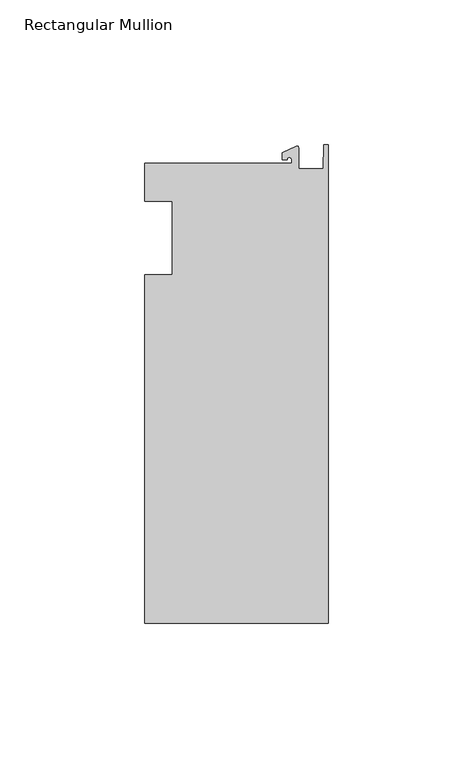
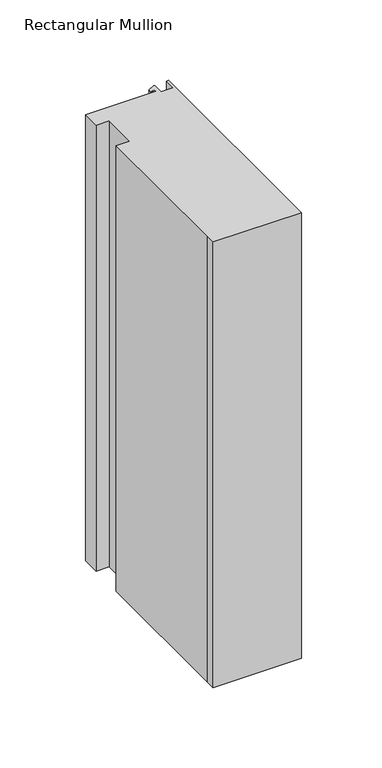
"""IFC4 building model written with IfcOpenShell, lengths in millimetres: member geometry, Rectangular Mullion."""

import ifcopenshell
import ifcopenshell.guid

model = None  # the IFC model being written
_history = None  # IfcOwnerHistory: only IFC2X3 demands one
_inside = {}  # id of a spatial element -> (the spatial element, [elements in it])
_under = {}  # id of a project, library or spatial element -> (it, [spatial elements below it])
_declared = {}  # id of a project -> (the project, [libraries it declares])
_typed = {}  # id of a type object -> (the type object, [elements of that type])
_made_of = {}  # id of a material, layer set ... -> (it, [elements and type objects made of it])


def new_model(schema):
    """Start an empty IFC model of exactly this schema.

    Asked for "IFC4X3", IfcOpenShell would pick the latest addendum, in which some entities
    have other attributes; the version numbers below select the first issue.
    IFC2X3 requires an IfcOwnerHistory on every rooted entity: one is made here for all.
    """
    global model, _history
    if schema == "IFC4X3":
        model = ifcopenshell.file(schema_version=(4, 3, 0, 0))
    else:
        model = ifcopenshell.file(schema=schema)
    _inside.clear()
    _under.clear()
    _declared.clear()
    _typed.clear()
    _made_of.clear()
    _history = None
    if model.schema == "IFC2X3":
        org = make("IfcOrganization", Name="unknown")
        user = make(
            "IfcPersonAndOrganization",
            ThePerson=make("IfcPerson", FamilyName="unknown"),
            TheOrganization=org,
        )
        app = make(
            "IfcApplication",
            ApplicationDeveloper=org,
            Version="unknown",
            ApplicationFullName="unknown",
            ApplicationIdentifier="unknown",
        )
        _history = make(
            "IfcOwnerHistory",
            OwningUser=user,
            OwningApplication=app,
            ChangeAction="ADDED",
            CreationDate=0,
        )
    return model


def make(cls, **values):
    """One entity of the class cls with the attributes given. An attribute that is None is left unset."""
    return model.create_entity(
        cls, **{name: value for name, value in values.items() if value is not None}
    )


def rooted(cls, **values):
    """An entity with a GlobalId (a new one), such as an element, a storey or a relation."""
    return make(cls, GlobalId=ifcopenshell.guid.new(), OwnerHistory=_history, **values)


def si_unit(unit_type, name, prefix=None):
    """IfcSIUnit, for example si_unit("LENGTHUNIT", "METRE", prefix="MILLI")."""
    return make("IfcSIUnit", UnitType=unit_type, Prefix=prefix, Name=name)


def assignment(units):
    """IfcUnitAssignment: the units of a project."""
    return None if units is None else make("IfcUnitAssignment", Units=units)


def point(xyz):
    """IfcCartesianPoint."""
    return None if xyz is None else make("IfcCartesianPoint", Coordinates=xyz)


def direction(xyz):
    """IfcDirection."""
    return None if xyz is None else make("IfcDirection", DirectionRatios=xyz)


def frame(location, z_axis=None, x_axis=None):
    """IfcAxis2Placement3D, a coordinate frame: its origin and axes. An axis left out is left unset."""
    return make(
        "IfcAxis2Placement3D",
        Location=point(location),
        Axis=direction(z_axis),
        RefDirection=direction(x_axis),
    )


def frame_2d(location, x_axis=None):
    """IfcAxis2Placement2D, a coordinate frame in the plane: its origin and x axis."""
    return make(
        "IfcAxis2Placement2D", Location=point(location), RefDirection=direction(x_axis)
    )


def origin():
    """The frame at (0, 0, 0) with its axes left unset."""
    return frame((0.0, 0.0, 0.0))


def place(relative_to, where):
    """IfcLocalPlacement: puts the frame where relative to a parent placement (None: the world)."""
    return make(
        "IfcLocalPlacement", PlacementRelTo=relative_to, RelativePlacement=where
    )


def context(
    kind, dimensions, precision=None, world=None, true_north=None, identifier=None
):
    """IfcGeometricRepresentationContext, for example the 3D "Model" context."""
    return make(
        "IfcGeometricRepresentationContext",
        ContextIdentifier=identifier,
        ContextType=kind,
        CoordinateSpaceDimension=dimensions,
        Precision=precision,
        WorldCoordinateSystem=world,
        TrueNorth=true_north,
    )


def project(units=None, contexts=None):
    """IfcProject with its units and contexts."""
    return rooted(
        "IfcProject",
        Name="project",
        RepresentationContexts=contexts,
        UnitsInContext=assignment(units),
    )


def spatial(cls, under=None, at=None, **own):
    """A site, building, storey or space (cls), placed at a placement, below another one or the project."""
    s = rooted(cls, ObjectPlacement=at, **own)
    if under is not None:
        _under.setdefault(under.id(), (under, []))[1].append(s)
    return s


def polyline(points):
    """IfcPolyline through the points."""
    return make("IfcPolyline", Points=[point(p) for p in points])


def circle_curve(where, radius):
    """IfcCircle in the frame where."""
    return make("IfcCircle", Position=where, Radius=radius)


def trimmed(basis, trim1, trim2, sense, master):
    """IfcTrimmedCurve: the piece of a basis curve between two trims."""
    return make(
        "IfcTrimmedCurve",
        BasisCurve=basis,
        Trim1=trim1,
        Trim2=trim2,
        SenseAgreement=sense,
        MasterRepresentation=master,
    )


def segment(curve, same_sense, transition):
    """IfcCompositeCurveSegment."""
    return make(
        "IfcCompositeCurveSegment",
        Transition=transition,
        SameSense=same_sense,
        ParentCurve=curve,
    )


def composite_curve(segments, self_intersect=None):
    """IfcCompositeCurve: segments joined end to end."""
    return make("IfcCompositeCurve", Segments=segments, SelfIntersect=self_intersect)


def outline(outer, holes=None, kind="AREA"):
    """IfcArbitraryClosedProfileDef: a profile drawn as a closed curve; with holes, ...WithVoids."""
    if holes is None:
        return make("IfcArbitraryClosedProfileDef", ProfileType=kind, OuterCurve=outer)
    return make(
        "IfcArbitraryProfileDefWithVoids",
        ProfileType=kind,
        OuterCurve=outer,
        InnerCurves=holes,
    )


def extrude(swept, where, along, depth):
    """IfcExtrudedAreaSolid: the profile swept, set in the frame where, extruded along a direction by depth."""
    return make(
        "IfcExtrudedAreaSolid",
        SweptArea=swept,
        Position=where,
        ExtrudedDirection=direction(along),
        Depth=depth,
    )


def shape(context_of_items, identifier, shape_type, items):
    """IfcShapeRepresentation: the items that make up one representation, for example the "Body"."""
    return make(
        "IfcShapeRepresentation",
        ContextOfItems=context_of_items,
        RepresentationIdentifier=identifier,
        RepresentationType=shape_type,
        Items=items,
    )


def source(mapping_origin, context_of_items, identifier, shape_type, items):
    """IfcRepresentationMap: a shape defined once, which mapped items show again and again."""
    return make(
        "IfcRepresentationMap",
        MappingOrigin=mapping_origin,
        MappedRepresentation=shape(context_of_items, identifier, shape_type, items),
    )


def transform(
    local_origin,
    x_axis=None,
    y_axis=None,
    z_axis=None,
    scale=None,
    scale2=None,
    scale3=None,
    uniform=True,
):
    """IfcCartesianTransformationOperator3D, or its non-uniform kind. x_axis, y_axis, z_axis: its Axis1, 2, 3."""
    if uniform:
        return make(
            "IfcCartesianTransformationOperator3D",
            Axis1=direction(x_axis),
            Axis2=direction(y_axis),
            LocalOrigin=point(local_origin),
            Scale=scale,
            Axis3=direction(z_axis),
        )
    return make(
        "IfcCartesianTransformationOperator3DnonUniform",
        Axis1=direction(x_axis),
        Axis2=direction(y_axis),
        LocalOrigin=point(local_origin),
        Scale=scale,
        Axis3=direction(z_axis),
        Scale2=scale2,
        Scale3=scale3,
    )


def mapped(mapping_source, mapping_target):
    """IfcMappedItem: shows the shape of a source again, moved by a transform."""
    return make(
        "IfcMappedItem", MappingSource=mapping_source, MappingTarget=mapping_target
    )


def made_of(thing, what):
    """Note that an element or type object is made of a material, layer set ...; save() writes the relation."""
    if what is not None:
        _made_of.setdefault(what.id(), (what, []))[1].append(thing)
    return thing


def element(
    cls,
    number,
    at=None,
    inside=None,
    cuts=None,
    type_object=None,
    material=None,
    context=None,
    identifier="Body",
    shape_type=None,
    held_by="IfcProductDefinitionShape",
    body=None,
    shapes=None,
    **own,
):
    """One element of the class cls, such as IfcWall. Its Tag is "e" and its number.

    at: its placement. inside: the storey or other place that contains it. cuts: it is an
    opening in that element (IfcRelVoidsElement). A single representation is given by context,
    identifier, shape_type and body (its items); several are given by shapes. held_by: the class
    of the entity that holds the representations. save() writes the other relations.
    """
    e = rooted(cls, Tag="e%d" % number, ObjectPlacement=at, **own)
    if body is not None:
        shapes = [shape(context, identifier, shape_type, body)]
    if shapes is not None:
        e.Representation = make(held_by, Representations=shapes)
    if inside is not None:
        _inside.setdefault(inside.id(), (inside, []))[1].append(e)
    if cuts is not None:
        rooted(
            "IfcRelVoidsElement", RelatingBuildingElement=cuts, RelatedOpeningElement=e
        )
    if type_object is not None:
        _typed.setdefault(type_object.id(), (type_object, []))[1].append(e)
    return made_of(e, material)


def aggregate(whole, parts):
    """IfcRelAggregates: a whole, such as a stair, and the parts it consists of."""
    return rooted("IfcRelAggregates", RelatingObject=whole, RelatedObjects=parts)


def save(model, path):
    """Write the relations noted so far, then the file.

    IfcRelAggregates (storeys below a building ...), IfcRelContainedInSpatialStructure (elements
    in a storey), IfcRelDefinesByType, IfcRelAssociatesMaterial and IfcRelDeclares: one each for
    every whole, place, type object, material and project.
    """
    for whole, parts in _under.values():
        aggregate(whole, parts)
    for where, things in _inside.values():
        rooted(
            "IfcRelContainedInSpatialStructure",
            RelatedElements=things,
            RelatingStructure=where,
        )
    for kind, things in _typed.values():
        rooted("IfcRelDefinesByType", RelatedObjects=things, RelatingType=kind)
    for what, things in _made_of.values():
        rooted("IfcRelAssociatesMaterial", RelatedObjects=things, RelatingMaterial=what)
    for by, libraries in _declared.values():
        rooted("IfcRelDeclares", RelatingContext=by, RelatedDefinitions=libraries)
    model.write(path)


def rectangular_mullion_4ea01bdd(model_context):
    return source(origin(), model_context, "Body", "SweptSolid", [
        extrude(outline(composite_curve([segment(polyline([(-12.6173814, 25.796875), (-12.6173814, 27.0827507)]), True, "CONTINUOUS"), segment(trimmed(circle_curve(frame_2d((-13.4111314, 27.0827507)), 0.79375), [point((-12.6173814, 27.0827507))], [point((-14.2048814, 27.0827507))], True, "CARTESIAN"), True, "CONTINUOUS"), segment(polyline([(-14.2048814, 27.0827507), (-15.7923814, 27.0827507), (-15.7923814, 29.44495), (-10.9524715, 31.7018371)]), True, "CONTINUOUS"), segment(trimmed(circle_curve(frame_2d((-10.7377814, 31.2414327)), 0.508), [point((-10.9524715, 31.7018371))], [point((-10.2297814, 31.2414327))], False, "CARTESIAN"), True, "CONTINUOUS"), segment(polyline([(-10.2297814, 31.2414327), (-10.2297814, 23.9227662), (-1.7144124, 23.9227662), (-1.5658966, 32.288874), (0.0, 32.288874), (0.0, -133.34365), (-63.5, -133.34365), (-63.5, -125.8114907), (-63.5, -12.7), (-53.975, -12.7), (-53.975, 12.7), (-63.5, 12.7), (-63.5, 25.796875), (-12.6173814, 25.796875)]), True, "CONTINUOUS")], self_intersect=False)), frame((0.0, 0.0, -338.6666667), z_axis=(0.0, 0.0, 1.0), x_axis=(1.0, 0.0, 0.0)), (0.0, 0.0, 1.0), 338.6666667),
    ])


if __name__ == "__main__":
    model = new_model("IFC4")
    model_context = context("Model", 3, world=origin())
    ifc_project = project(units=[si_unit("LENGTHUNIT", "METRE", prefix="MILLI")], contexts=[model_context])
    site = spatial("IfcSite", under=ifc_project)
    building = spatial("IfcBuilding", under=site)
    placement = place(None, origin())
    rectangular_mullion_shape = rectangular_mullion_4ea01bdd(model_context)
    element("IfcMember", 1, ObjectType="Rectangular Mullion", at=placement, inside=building, context=model_context, shape_type="MappedRepresentation", body=[
        mapped(rectangular_mullion_shape, transform((0.0, 0.0, 0.0), x_axis=(1.0, 0.0, 0.0), y_axis=(0.0, 1.0, 0.0), z_axis=(0.0, 0.0, 1.0))),
    ])
    save(model, "model.ifc")
